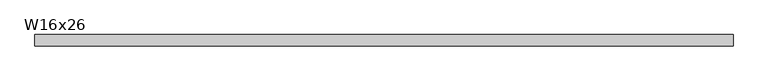
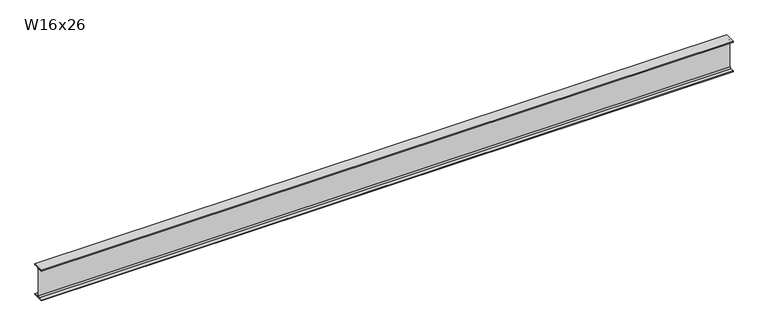
"""IFC4 building model written with IfcOpenShell, lengths in millimetres: beam geometry, W16x26."""

from ifc_helpers import new_model, si_unit, point, frame, frame_2d, origin, place, context, project, spatial, polyline, circle_curve, trimmed, segment, composite_curve, outline, extrude, source, transform, mapped, element, save


def w16x26_5961d093(model_context):
    return source(origin(), model_context, "Body", "SweptSolid", [
        extrude(outline(composite_curve([segment(polyline([(69.85, -190.627), (69.85, -199.39), (-69.85, -199.39), (-69.85, -190.627), (-21.3995, -190.627)]), True, "CONTINUOUS"), segment(trimmed(circle_curve(frame_2d((-21.3995, -172.4025)), 18.2245), [point((-21.3995, -190.627))], [point((-3.175, -172.4025))], True, "CARTESIAN"), True, "CONTINUOUS"), segment(polyline([(-3.175, -172.4025), (-3.175, 172.4025)]), True, "CONTINUOUS"), segment(trimmed(circle_curve(frame_2d((-21.3995, 172.4025)), 18.2245), [point((-3.175, 172.4025))], [point((-21.3995, 190.627))], True, "CARTESIAN"), True, "CONTINUOUS"), segment(polyline([(-21.3995, 190.627), (-69.85, 190.627), (-69.85, 199.39), (69.85, 199.39), (69.85, 190.627), (21.3995, 190.627)]), True, "CONTINUOUS"), segment(trimmed(circle_curve(frame_2d((21.3995, 172.4025)), 18.2245), [point((21.3995, 190.627))], [point((3.175, 172.4025))], True, "CARTESIAN"), True, "CONTINUOUS"), segment(polyline([(3.175, 172.4025), (3.175, -172.4025)]), True, "CONTINUOUS"), segment(trimmed(circle_curve(frame_2d((21.3995, -172.4025)), 18.2245), [point((3.175, -172.4025))], [point((21.3995, -190.627))], True, "CARTESIAN"), True, "CONTINUOUS"), segment(polyline([(21.3995, -190.627), (69.85, -190.627)]), True, "CONTINUOUS")], self_intersect=False)), frame((-4281.3594138, 0.0, 0.0), z_axis=(1.0, 0.0, 0.0), x_axis=(0.0, 1.0, 0.0)), (0.0, 0.0, 1.0), 8614.348775),
    ])


if __name__ == "__main__":
    model = new_model("IFC4")
    model_context = context("Model", 3, world=origin())
    ifc_project = project(units=[si_unit("LENGTHUNIT", "METRE", prefix="MILLI")], contexts=[model_context])
    site = spatial("IfcSite", under=ifc_project)
    building = spatial("IfcBuilding", under=site)
    placement = place(None, origin())
    w16x26_shape = w16x26_5961d093(model_context)
    element("IfcBeam", 1, ObjectType="W16x26", at=placement, inside=building, context=model_context, shape_type="MappedRepresentation", body=[
        mapped(w16x26_shape, transform((0.0, 0.0, 0.0), x_axis=(1.0, 0.0, 0.0), y_axis=(0.0, 1.0, 0.0), z_axis=(0.0, 0.0, 1.0))),
    ])
    save(model, "model.ifc")
